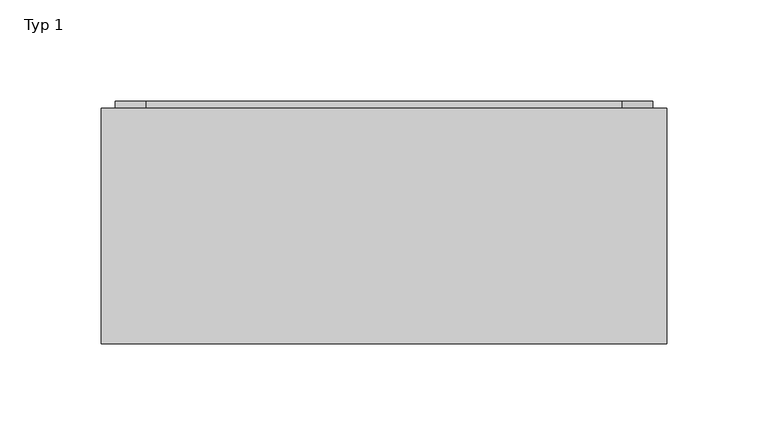
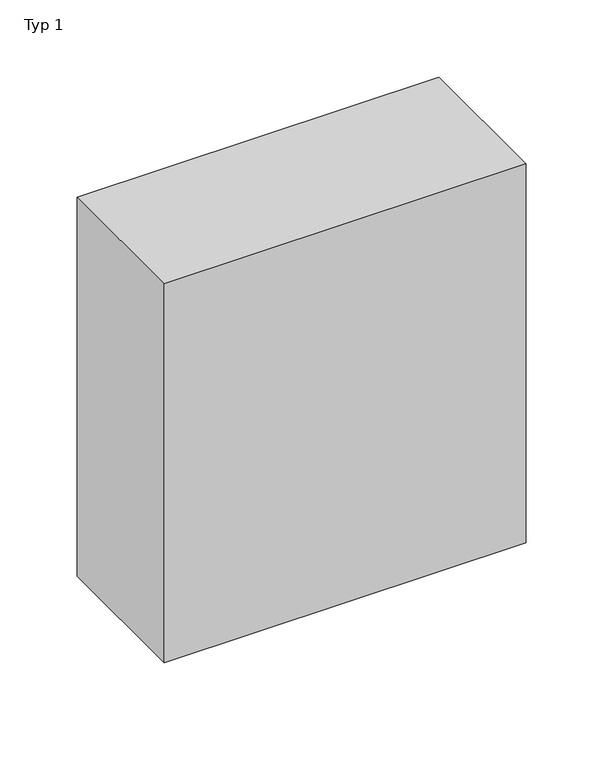
"""IFC4 building model written with IfcOpenShell, lengths in millimetres: outlet geometry, Typ 1."""

from ifc_helpers import new_model, si_unit, point, frame, frame_2d, origin, place, context, project, spatial, polyline, circle_curve, trimmed, segment, composite_curve, outline, extrude, source, transform, mapped, element, save
from ifc_brep_helpers import plane_surface, revolved_surface, advanced_brep


def typ_1_876baf49(model_context):
    return source(origin(), model_context, "Body", "SolidModel", [
        extrude(outline(composite_curve([segment(trimmed(circle_curve(frame_2d((230.0, 167.5781287)), 7.0), [point((223.0, 167.5781287))], [point((237.0, 167.5781287))], False, "CARTESIAN"), True, "CONTINUOUS"), segment(trimmed(circle_curve(frame_2d((230.0, 167.5781287)), 7.0), [point((237.0, 167.5781287))], [point((223.0, 167.5781287))], False, "CARTESIAN"), True, "CONTINUOUS")], self_intersect=False)), frame((0.0, 0.0, 1355.9859262), z_axis=(0.0, 0.0, 1.0), x_axis=(1.0, 0.0, 0.0)), (0.0, 0.0, 1.0), 24.8507445),
        extrude(outline(composite_curve([segment(trimmed(circle_curve(frame_2d((170.0, 167.5781287)), 7.0), [point((163.0, 167.5781287))], [point((177.0, 167.5781287))], False, "CARTESIAN"), True, "CONTINUOUS"), segment(trimmed(circle_curve(frame_2d((170.0, 167.5781287)), 7.0), [point((177.0, 167.5781287))], [point((163.0, 167.5781287))], False, "CARTESIAN"), True, "CONTINUOUS")], self_intersect=False)), frame((0.0, 0.0, 1355.9859262), z_axis=(0.0, 0.0, 1.0), x_axis=(1.0, 0.0, 0.0)), (0.0, 0.0, 1.0), 24.8507445),
        extrude(outline(composite_curve([segment(trimmed(circle_curve(frame_2d((25.0, 167.5781287)), 15.0), [point((10.0, 167.5781287))], [point((40.0, 167.5781287))], False, "CARTESIAN"), True, "CONTINUOUS"), segment(trimmed(circle_curve(frame_2d((25.0, 167.5781287)), 15.0), [point((40.0, 167.5781287))], [point((10.0, 167.5781287))], False, "CARTESIAN"), True, "CONTINUOUS")], self_intersect=False)), frame((0.0, 0.0, 1355.9859262), z_axis=(0.0, 0.0, 1.0), x_axis=(1.0, 0.0, 0.0)), (0.0, 0.0, 1.0), 24.8507445),
        extrude(outline(composite_curve([segment(trimmed(circle_curve(frame_2d((75.0, 167.5781287)), 15.0), [point((60.0, 167.5781287))], [point((90.0, 167.5781287))], False, "CARTESIAN"), True, "CONTINUOUS"), segment(trimmed(circle_curve(frame_2d((75.0, 167.5781287)), 15.0), [point((90.0, 167.5781287))], [point((60.0, 167.5781287))], False, "CARTESIAN"), True, "CONTINUOUS")], self_intersect=False)), frame((0.0, 0.0, 1355.9859262), z_axis=(0.0, 0.0, 1.0), x_axis=(1.0, 0.0, 0.0)), (0.0, 0.0, 1.0), 24.8507445),
        extrude(outline(composite_curve([segment(trimmed(circle_curve(frame_2d((125.0, 167.5781287)), 15.0), [point((110.0, 167.5781287))], [point((140.0, 167.5781287))], False, "CARTESIAN"), True, "CONTINUOUS"), segment(trimmed(circle_curve(frame_2d((125.0, 167.5781287)), 15.0), [point((140.0, 167.5781287))], [point((110.0, 167.5781287))], False, "CARTESIAN"), True, "CONTINUOUS")], self_intersect=False)), frame((0.0, 0.0, 1355.9859262), z_axis=(0.0, 0.0, 1.0), x_axis=(1.0, 0.0, 0.0)), (0.0, 0.0, 1.0), 24.8507445),
        advanced_brep(
        [(-15.0, 100.0, 1690.8366707), (-15.0, 100.0, 1380.8366707), (265.0, 100.0, 1380.8366707), (265.0, 100.0, 1690.8366707), (7.0, 220.0, 1683.8366707), (243.0, 220.0, 1683.8366707), (258.0, 220.0, 1668.8366707), (258.0, 220.0, 1402.8366707), (243.0, 220.0, 1387.8366707), (7.0, 220.0, 1387.8366707), (-8.0, 220.0, 1402.8366707), (-8.0, 220.0, 1668.8366707), (7.287809, 220.0, 1667.59939), (7.287809, 220.0, 1567.59939), (242.712191, 220.0, 1567.59939), (242.712191, 220.0, 1667.59939), (-15.0, 216.5, 1690.8366707), (-15.0, 216.5, 1380.8366707), (265.0, 216.5, 1380.8366707), (265.0, 216.5, 1690.8366707), (7.287809, 218.0, 1667.59939), (242.712191, 218.0, 1667.59939), (242.712191, 218.0, 1567.59939), (7.287809, 218.0, 1567.59939), (7.0, 216.5, 1683.8366707), (-8.0, 216.5, 1668.8366707), (-8.0, 216.5, 1402.8366707), (7.0, 216.5, 1387.8366707), (243.0, 216.5, 1387.8366707), (258.0, 216.5, 1402.8366707), (258.0, 216.5, 1668.8366707), (243.0, 216.5, 1683.8366707)],
        [
            (0, 1),
            (1, 2),
            (2, 3),
            (3, 0),
            (4, 5),
            (5, 6, circle_curve(frame((258.0, 220.0, 1683.8366707), z_axis=(0.0, -1.0, 0.0), x_axis=(1.0, 0.0, 0.0)), 15.0)),
            (6, 7),
            (7, 8, circle_curve(frame((258.0, 220.0, 1387.8366707), z_axis=(0.0, -1.0, 0.0), x_axis=(1.0, 0.0, 0.0)), 15.0)),
            (8, 9),
            (9, 10, circle_curve(frame((-8.0, 220.0, 1387.8366707), z_axis=(0.0, -1.0, 0.0), x_axis=(1.0, 0.0, 0.0)), 15.0)),
            (10, 11),
            (11, 4, circle_curve(frame((-8.0, 220.0, 1683.8366707), z_axis=(0.0, -1.0, 0.0), x_axis=(1.0, 0.0, 0.0)), 15.0)),
            (12, 13),
            (13, 14),
            (14, 15),
            (15, 12),
            (0, 16),
            (16, 17),
            (17, 1),
            (17, 18),
            (18, 2),
            (18, 19),
            (19, 3),
            (19, 16),
            (20, 21),
            (21, 22),
            (22, 23),
            (23, 20),
            (23, 13),
            (12, 20),
            (22, 14),
            (21, 15),
            (24, 25, circle_curve(frame((-8.0, 216.5, 1683.8366707), z_axis=(0.0, 1.0, 0.0), x_axis=(1.0, 0.0, 0.0)), 15.0)),
            (25, 26),
            (26, 27, circle_curve(frame((-8.0, 216.5, 1387.8366707), z_axis=(0.0, 1.0, 0.0), x_axis=(1.0, 0.0, 0.0)), 15.0)),
            (27, 28),
            (28, 29, circle_curve(frame((258.0, 216.5, 1387.8366707), z_axis=(0.0, 1.0, 0.0), x_axis=(1.0, 0.0, 0.0)), 15.0)),
            (29, 30),
            (30, 31, circle_curve(frame((258.0, 216.5, 1683.8366707), z_axis=(0.0, 1.0, 0.0), x_axis=(1.0, 0.0, 0.0)), 15.0)),
            (31, 24),
            (31, 5),
            (4, 24),
            (30, 6),
            (29, 7),
            (28, 8),
            (27, 9),
            (26, 10),
            (25, 11),
        ],
        [
            plane_surface(frame((-15.0, 100.0, 1690.8366707), z_axis=(0.0, -1.0, 0.0), x_axis=(0.0, 0.0, -1.0))),
            plane_surface(frame((-15.0, 220.0, 1690.8366707), z_axis=(0.0, 1.0, 0.0), x_axis=(0.0, 0.0, 1.0))),
            plane_surface(frame((-15.0, 100.0, 1690.8366707), z_axis=(-1.0, 0.0, 0.0), x_axis=(0.0, 1.0, 0.0))),
            plane_surface(frame((-15.0, 100.0, 1380.8366707), z_axis=(0.0, 0.0, -1.0), x_axis=(0.0, 1.0, 0.0))),
            plane_surface(frame((265.0, 100.0, 1380.8366707), z_axis=(1.0, 0.0, 0.0), x_axis=(0.0, 1.0, 0.0))),
            plane_surface(frame((265.0, 100.0, 1690.8366707), z_axis=(0.0, 0.0, 1.0), x_axis=(0.0, 1.0, 0.0))),
            plane_surface(frame((7.287809, 218.0, 1667.59939), z_axis=(0.0, 1.0, 0.0), x_axis=(0.0, 0.0, -1.0))),
            plane_surface(frame((7.287809, 218.0, 1667.59939), z_axis=(1.0, 0.0, 0.0), x_axis=(0.0, 1.0, 0.0))),
            plane_surface(frame((7.287809, 218.0, 1567.59939), z_axis=(0.0, 0.0, 1.0), x_axis=(0.0, 1.0, 0.0))),
            plane_surface(frame((242.712191, 218.0, 1567.59939), z_axis=(-1.0, 0.0, 0.0), x_axis=(0.0, 1.0, 0.0))),
            plane_surface(frame((242.712191, 218.0, 1667.59939), z_axis=(0.0, 0.0, -1.0), x_axis=(0.0, 1.0, 0.0))),
            plane_surface(frame((-15.0, 216.5, 1690.8366707), z_axis=(0.0, 1.0, 0.0), x_axis=(0.0, 0.0, -1.0))),
            plane_surface(frame((7.0, 216.5, 1683.8366707), z_axis=(0.0, 0.0, 1.0), x_axis=(0.0, 1.0, 0.0))),
            revolved_surface(polyline([(273.0, 216.5, 1683.8366707), (273.0, 220.0, 1683.8366707)]), (258.0, 220.0, 1683.8366707), (0.0, -1.0, 0.0)),
            plane_surface(frame((258.0, 216.5, 1668.8366707), z_axis=(1.0, 0.0, 0.0), x_axis=(0.0, 1.0, 0.0))),
            revolved_surface(polyline([(273.0, 216.5, 1387.8366707), (273.0, 220.0, 1387.8366707)]), (258.0, 220.0, 1387.8366707), (0.0, -1.0, 0.0)),
            plane_surface(frame((243.0, 216.5, 1387.8366707), z_axis=(0.0, 0.0, -1.0), x_axis=(0.0, 1.0, 0.0))),
            revolved_surface(polyline([(7.0, 216.5, 1387.8366707), (7.0, 220.0, 1387.8366707)]), (-8.0, 220.0, 1387.8366707), (0.0, -1.0, 0.0)),
            plane_surface(frame((-8.0, 216.5, 1402.8366707), z_axis=(-1.0, 0.0, 0.0), x_axis=(0.0, 1.0, 0.0))),
            revolved_surface(polyline([(7.0, 216.5, 1683.8366707), (7.0, 220.0, 1683.8366707)]), (-8.0, 220.0, 1683.8366707), (0.0, -1.0, 0.0)),
        ],
        [
            (0, [[1, 2, 3, 4]]),
            (1, [[5, 6, 7, 8, 9, 10, 11, 12], [13, 14, 15, 16]]),
            (2, [[-1, 17, 18, 19]]),
            (3, [[-2, -19, 20, 21]]),
            (4, [[-3, -21, 22, 23]]),
            (5, [[-4, -23, 24, -17]]),
            (6, [[25, 26, 27, 28]]),
            (7, [[-28, 29, -13, 30]]),
            (8, [[-27, 31, -14, -29]]),
            (9, [[-26, 32, -15, -31]]),
            (10, [[-25, -30, -16, -32]]),
            (11, [[-18, -24, -22, -20], [33, 34, 35, 36, 37, 38, 39, 40]]),
            (12, [[-40, 41, -5, 42]]),
            (13, [[-39, 43, -6, -41]]),
            (14, [[-38, 44, -7, -43]]),
            (15, [[-37, 45, -8, -44]]),
            (16, [[-36, 46, -9, -45]]),
            (17, [[-35, 47, -10, -46]]),
            (18, [[-34, 48, -11, -47]]),
            (19, [[-33, -42, -12, -48]]),
        ],
    ),
    ])


if __name__ == "__main__":
    model = new_model("IFC4")
    model_context = context("Model", 3, world=origin())
    ifc_project = project(units=[si_unit("LENGTHUNIT", "METRE", prefix="MILLI")], contexts=[model_context])
    site = spatial("IfcSite", under=ifc_project)
    building = spatial("IfcBuilding", under=site)
    placement = place(None, origin())
    typ_1_shape = typ_1_876baf49(model_context)
    element("IfcOutlet", 1, ObjectType="Typ 1", at=placement, inside=building, context=model_context, shape_type="MappedRepresentation", body=[
        mapped(typ_1_shape, transform((0.0, 0.0, 0.0), x_axis=(1.0, 0.0, 0.0), y_axis=(0.0, 1.0, 0.0), z_axis=(0.0, 0.0, 1.0))),
    ])
    save(model, "model.ifc")
